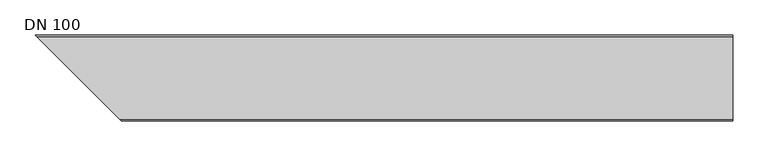
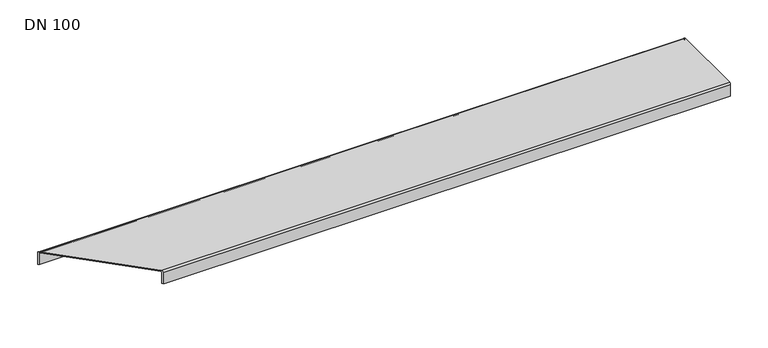
"""IFC4 building model written with IfcOpenShell, lengths in millimetres: sanitary terminal geometry, DN 100."""

from ifc_helpers import new_model, si_unit, frame, origin, place, context, project, spatial, polyline, circle_curve, ellipse_curve, source, transform, mapped, element, save
from ifc_brep_helpers import plane_surface, cylinder_surface, revolved_surface, advanced_brep


def dn_100_a435c64f(model_context):
    return source(origin(), model_context, "Body", "AdvancedBrep", [
        advanced_brep(
        [(1000.0, 61.5, -21.0), (1000.0, 59.5, -21.0), (7.0, 59.5, -21.0), (5.0, 61.5, -21.0), (1000.0, 61.5, -2.5), (1000.0, 59.0, 0.0), (1000.0, -59.0, 0.0), (1000.0, -61.5, -2.5), (1000.0, -61.5, -21.0), (1000.0, -59.5, -21.0), (1000.0, -59.5, -2.5), (1000.0, -59.0, -2.0), (1000.0, 59.0, -2.0), (1000.0, 59.5, -2.5), (7.0, 59.5, -2.5), (5.0, 61.5, -2.5), (7.5, 59.0, -2.0), (7.5, 59.0, 0.0), (125.5, -59.0, -2.0), (125.5, -59.0, 0.0), (126.0, -59.5, -2.5), (128.0, -61.5, -2.5), (128.0, -61.5, -21.0), (126.0, -59.5, -21.0)],
        [
            (0, 1),
            (1, 2),
            (2, 3),
            (3, 0),
            (0, 4),
            (4, 5, circle_curve(frame((1000.0, 59.0, -2.5), z_axis=(1.0, 0.0, 0.0), x_axis=(0.0, 1.0, 0.0)), 2.5)),
            (5, 6),
            (6, 7, circle_curve(frame((1000.0, -59.0, -2.5), z_axis=(1.0, 0.0, 0.0), x_axis=(0.0, 0.0, 1.0)), 2.5)),
            (7, 8),
            (8, 9),
            (9, 10),
            (10, 11, circle_curve(frame((1000.0, -59.0, -2.5), z_axis=(-1.0, 0.0, 0.0), x_axis=(0.0, 0.0, 1.0)), 0.5)),
            (11, 12),
            (12, 13, circle_curve(frame((1000.0, 59.0, -2.5), z_axis=(-1.0, 0.0, 0.0), x_axis=(0.0, 1.0, 0.0)), 0.5)),
            (13, 1),
            (13, 14),
            (14, 2),
            (3, 15),
            (15, 4),
            (12, 16),
            (16, 14, ellipse_curve(frame((7.5, 59.0, -2.5), z_axis=(-0.7071067811865481, -0.7071067811865469, 0.0), x_axis=(0.7071067811865469, -0.7071067811865481, 0.0)), 0.7071068, 0.5)),
            (15, 17, ellipse_curve(frame((7.5, 59.0, -2.5), z_axis=(0.7071067811865481, 0.7071067811865469, 0.0), x_axis=(0.7071067811865469, -0.7071067811865481, 0.0)), 3.5355339, 2.5)),
            (17, 5),
            (11, 18),
            (18, 16),
            (17, 19),
            (19, 6),
            (10, 20),
            (20, 18, ellipse_curve(frame((125.5, -59.0, -2.5), z_axis=(-0.7071067811865481, -0.7071067811865469, 0.0), x_axis=(0.7071067811865469, -0.7071067811865481, 0.0)), 0.7071068, 0.5)),
            (19, 21, ellipse_curve(frame((125.5, -59.0, -2.5), z_axis=(0.7071067811865481, 0.7071067811865469, 0.0), x_axis=(0.7071067811865469, -0.7071067811865481, 0.0)), 3.5355339, 2.5)),
            (21, 7),
            (8, 22),
            (22, 23),
            (23, 9),
            (23, 20),
            (21, 22),
        ],
        [
            plane_surface(frame((0.0, 61.5, -21.0), z_axis=(0.0, 0.0, -1.0), x_axis=(1.0, 0.0, 0.0))),
            plane_surface(frame((1000.0, 61.5, -21.0), z_axis=(1.0, 0.0, 0.0), x_axis=(0.0, 0.0, 1.0))),
            plane_surface(frame((1000.0, 59.5, -21.0), z_axis=(0.0, -1.0, 0.0), x_axis=(0.0, 0.0, 1.0))),
            plane_surface(frame((0.0, 61.5, -21.0), z_axis=(0.0, 1.0, 0.0), x_axis=(0.0, 0.0, 1.0))),
            revolved_surface(polyline([(1000.0, 59.5, -2.5), (6.9999999866968805, 59.5, -2.5)]), (0.0, 59.0, -2.5), (1.0, 0.0, 0.0)),
            cylinder_surface(frame((0.0, 59.0, -2.5), z_axis=(1.0, 0.0, 0.0), x_axis=(0.0, 1.0, 0.0)), 2.5),
            plane_surface(frame((1000.0, 59.0, -2.0), z_axis=(0.0, 0.0, -1.0), x_axis=(0.0, -1.0, 0.0))),
            plane_surface(frame((0.0, 59.0, 0.0), z_axis=(0.0, 0.0, 1.0), x_axis=(0.0, -1.0, 0.0))),
            revolved_surface(polyline([(1000.0, -59.0, -2.0), (124.99999998669688, -59.0, -2.0)]), (0.0, -59.0, -2.5), (1.0, 0.0, 0.0)),
            cylinder_surface(frame((0.0, -59.0, -2.5), z_axis=(1.0, 0.0, 0.0), x_axis=(0.0, 0.0, 1.0)), 2.5),
            plane_surface(frame((0.0, -61.5, -21.0), z_axis=(0.0, 0.0, -1.0), x_axis=(1.0, 0.0, 0.0))),
            plane_surface(frame((1000.0, -59.5, -2.5), z_axis=(0.0, 1.0, 0.0), x_axis=(0.0, 0.0, -1.0))),
            plane_surface(frame((0.0, -61.5, -2.5), z_axis=(0.0, -1.0, 0.0), x_axis=(0.0, 0.0, -1.0))),
            plane_surface(frame((133.0, -66.5, 0.0), z_axis=(-0.7071067811865481, -0.7071067811865469, 0.0), x_axis=(0.0, 0.0, -1.0))),
        ],
        [
            (0, [[1, 2, 3, 4]]),
            (1, [[-1, 5, 6, 7, 8, 9, 10, 11, 12, 13, 14, 15]]),
            (2, [[-15, 16, 17, -2]]),
            (3, [[-5, -4, 18, 19]]),
            (4, [[-14, 20, 21, -16]]),
            (5, [[-6, -19, 22, 23]]),
            (6, [[-13, 24, 25, -20]]),
            (7, [[-7, -23, 26, 27]]),
            (8, [[-12, 28, 29, -24]]),
            (9, [[-8, -27, 30, 31]]),
            (10, [[-10, 32, 33, 34]]),
            (11, [[-11, -34, 35, -28]]),
            (12, [[-9, -31, 36, -32]]),
            (13, [[-3, -17, -21, -25, -29, -35, -33, -36, -30, -26, -22, -18]]),
        ],
    ),
    ])


if __name__ == "__main__":
    model = new_model("IFC4")
    model_context = context("Model", 3, world=origin())
    ifc_project = project(units=[si_unit("LENGTHUNIT", "METRE", prefix="MILLI")], contexts=[model_context])
    site = spatial("IfcSite", under=ifc_project)
    building = spatial("IfcBuilding", under=site)
    placement = place(None, origin())
    dn_100_shape = dn_100_a435c64f(model_context)
    element("IfcSanitaryTerminal", 1, ObjectType="DN 100", at=placement, inside=building, context=model_context, shape_type="MappedRepresentation", body=[
        mapped(dn_100_shape, transform((0.0, 0.0, 0.0), x_axis=(1.0, 0.0, 0.0), y_axis=(0.0, 1.0, 0.0), z_axis=(0.0, 0.0, 1.0))),
    ])
    save(model, "model.ifc")
